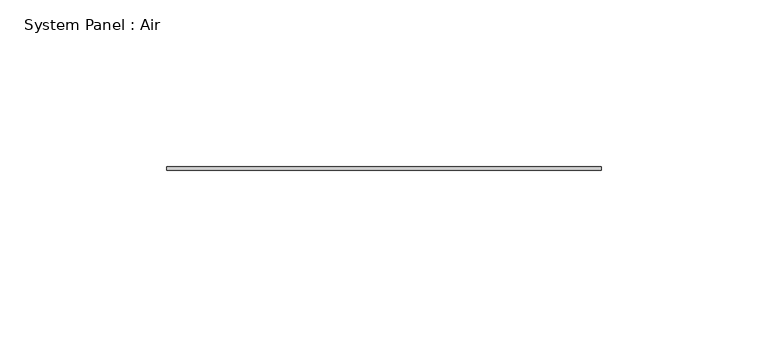
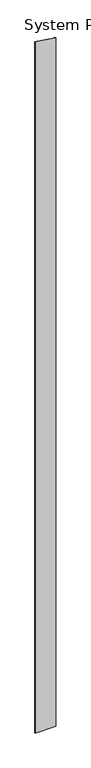
"""IFC4 building model written with IfcOpenShell, lengths in millimetres: plate geometry, System Panel : Air."""

from ifc_helpers import new_model, si_unit, frame, origin, place, context, project, spatial, polyline, outline, extrude, source, transform, mapped, element, save


def system_panel_air_0fbfd18f(model_context):
    return source(origin(), model_context, "Body", "SweptSolid", [
        extrude(outline(polyline([(0.0, -65.0), (0.0, 65.0), (4511.5557122, 65.0), (4530.8031173, -65.0), (0.0, -65.0)])), frame((0.0, 36.5, 0.0), z_axis=(0.0, 1.0, 0.0), x_axis=(0.0, 0.0, 1.0)), (0.0, 0.0, 1.0), 1.0),
    ])


if __name__ == "__main__":
    model = new_model("IFC4")
    model_context = context("Model", 3, world=origin())
    ifc_project = project(units=[si_unit("LENGTHUNIT", "METRE", prefix="MILLI")], contexts=[model_context])
    site = spatial("IfcSite", under=ifc_project)
    building = spatial("IfcBuilding", under=site)
    placement = place(None, origin())
    system_panel_air_shape = system_panel_air_0fbfd18f(model_context)
    element("IfcPlate", 1, ObjectType="System Panel : Air", at=placement, inside=building, context=model_context, shape_type="MappedRepresentation", body=[
        mapped(system_panel_air_shape, transform((0.0, 0.0, 0.0), x_axis=(1.0, 0.0, 0.0), y_axis=(0.0, 1.0, 0.0), z_axis=(0.0, 0.0, 1.0))),
    ])
    save(model, "model.ifc")
